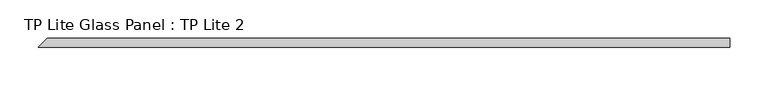
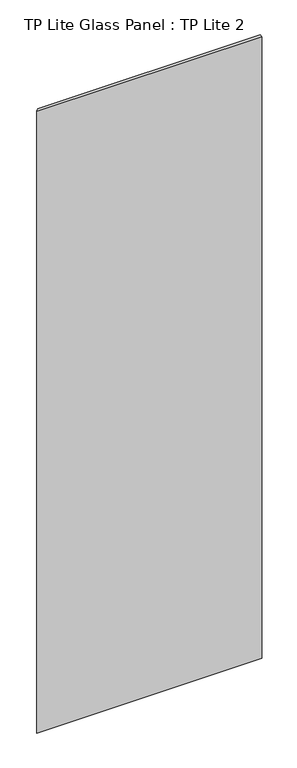
"""IFC4 building model written with IfcOpenShell, lengths in millimetres: plate geometry, TP Lite Glass Panel : TP Lite 2."""

import ifcopenshell
import ifcopenshell.guid

model = None  # the IFC model being written
_history = None  # IfcOwnerHistory: only IFC2X3 demands one
_inside = {}  # id of a spatial element -> (the spatial element, [elements in it])
_under = {}  # id of a project, library or spatial element -> (it, [spatial elements below it])
_declared = {}  # id of a project -> (the project, [libraries it declares])
_typed = {}  # id of a type object -> (the type object, [elements of that type])
_made_of = {}  # id of a material, layer set ... -> (it, [elements and type objects made of it])


def new_model(schema):
    """Start an empty IFC model of exactly this schema.

    Asked for "IFC4X3", IfcOpenShell would pick the latest addendum, in which some entities
    have other attributes; the version numbers below select the first issue.
    IFC2X3 requires an IfcOwnerHistory on every rooted entity: one is made here for all.
    """
    global model, _history
    if schema == "IFC4X3":
        model = ifcopenshell.file(schema_version=(4, 3, 0, 0))
    else:
        model = ifcopenshell.file(schema=schema)
    _inside.clear()
    _under.clear()
    _declared.clear()
    _typed.clear()
    _made_of.clear()
    _history = None
    if model.schema == "IFC2X3":
        org = make("IfcOrganization", Name="unknown")
        user = make(
            "IfcPersonAndOrganization",
            ThePerson=make("IfcPerson", FamilyName="unknown"),
            TheOrganization=org,
        )
        app = make(
            "IfcApplication",
            ApplicationDeveloper=org,
            Version="unknown",
            ApplicationFullName="unknown",
            ApplicationIdentifier="unknown",
        )
        _history = make(
            "IfcOwnerHistory",
            OwningUser=user,
            OwningApplication=app,
            ChangeAction="ADDED",
            CreationDate=0,
        )
    return model


def make(cls, **values):
    """One entity of the class cls with the attributes given. An attribute that is None is left unset."""
    return model.create_entity(
        cls, **{name: value for name, value in values.items() if value is not None}
    )


def rooted(cls, **values):
    """An entity with a GlobalId (a new one), such as an element, a storey or a relation."""
    return make(cls, GlobalId=ifcopenshell.guid.new(), OwnerHistory=_history, **values)


def si_unit(unit_type, name, prefix=None):
    """IfcSIUnit, for example si_unit("LENGTHUNIT", "METRE", prefix="MILLI")."""
    return make("IfcSIUnit", UnitType=unit_type, Prefix=prefix, Name=name)


def assignment(units):
    """IfcUnitAssignment: the units of a project."""
    return None if units is None else make("IfcUnitAssignment", Units=units)


def point(xyz):
    """IfcCartesianPoint."""
    return None if xyz is None else make("IfcCartesianPoint", Coordinates=xyz)


def direction(xyz):
    """IfcDirection."""
    return None if xyz is None else make("IfcDirection", DirectionRatios=xyz)


def frame(location, z_axis=None, x_axis=None):
    """IfcAxis2Placement3D, a coordinate frame: its origin and axes. An axis left out is left unset."""
    return make(
        "IfcAxis2Placement3D",
        Location=point(location),
        Axis=direction(z_axis),
        RefDirection=direction(x_axis),
    )


def origin():
    """The frame at (0, 0, 0) with its axes left unset."""
    return frame((0.0, 0.0, 0.0))


def origin_with_axes():
    """The frame at (0, 0, 0) with the z axis (0, 0, 1) and the x axis (1, 0, 0) written out."""
    return frame((0.0, 0.0, 0.0), z_axis=(0.0, 0.0, 1.0), x_axis=(1.0, 0.0, 0.0))


def place(relative_to, where):
    """IfcLocalPlacement: puts the frame where relative to a parent placement (None: the world)."""
    return make(
        "IfcLocalPlacement", PlacementRelTo=relative_to, RelativePlacement=where
    )


def context(
    kind, dimensions, precision=None, world=None, true_north=None, identifier=None
):
    """IfcGeometricRepresentationContext, for example the 3D "Model" context."""
    return make(
        "IfcGeometricRepresentationContext",
        ContextIdentifier=identifier,
        ContextType=kind,
        CoordinateSpaceDimension=dimensions,
        Precision=precision,
        WorldCoordinateSystem=world,
        TrueNorth=true_north,
    )


def project(units=None, contexts=None):
    """IfcProject with its units and contexts."""
    return rooted(
        "IfcProject",
        Name="project",
        RepresentationContexts=contexts,
        UnitsInContext=assignment(units),
    )


def spatial(cls, under=None, at=None, **own):
    """A site, building, storey or space (cls), placed at a placement, below another one or the project."""
    s = rooted(cls, ObjectPlacement=at, **own)
    if under is not None:
        _under.setdefault(under.id(), (under, []))[1].append(s)
    return s


def polyline(points):
    """IfcPolyline through the points."""
    return make("IfcPolyline", Points=[point(p) for p in points])


def outline(outer, holes=None, kind="AREA"):
    """IfcArbitraryClosedProfileDef: a profile drawn as a closed curve; with holes, ...WithVoids."""
    if holes is None:
        return make("IfcArbitraryClosedProfileDef", ProfileType=kind, OuterCurve=outer)
    return make(
        "IfcArbitraryProfileDefWithVoids",
        ProfileType=kind,
        OuterCurve=outer,
        InnerCurves=holes,
    )


def extrude(swept, where, along, depth):
    """IfcExtrudedAreaSolid: the profile swept, set in the frame where, extruded along a direction by depth."""
    return make(
        "IfcExtrudedAreaSolid",
        SweptArea=swept,
        Position=where,
        ExtrudedDirection=direction(along),
        Depth=depth,
    )


def shape(context_of_items, identifier, shape_type, items):
    """IfcShapeRepresentation: the items that make up one representation, for example the "Body"."""
    return make(
        "IfcShapeRepresentation",
        ContextOfItems=context_of_items,
        RepresentationIdentifier=identifier,
        RepresentationType=shape_type,
        Items=items,
    )


def source(mapping_origin, context_of_items, identifier, shape_type, items):
    """IfcRepresentationMap: a shape defined once, which mapped items show again and again."""
    return make(
        "IfcRepresentationMap",
        MappingOrigin=mapping_origin,
        MappedRepresentation=shape(context_of_items, identifier, shape_type, items),
    )


def transform(
    local_origin,
    x_axis=None,
    y_axis=None,
    z_axis=None,
    scale=None,
    scale2=None,
    scale3=None,
    uniform=True,
):
    """IfcCartesianTransformationOperator3D, or its non-uniform kind. x_axis, y_axis, z_axis: its Axis1, 2, 3."""
    if uniform:
        return make(
            "IfcCartesianTransformationOperator3D",
            Axis1=direction(x_axis),
            Axis2=direction(y_axis),
            LocalOrigin=point(local_origin),
            Scale=scale,
            Axis3=direction(z_axis),
        )
    return make(
        "IfcCartesianTransformationOperator3DnonUniform",
        Axis1=direction(x_axis),
        Axis2=direction(y_axis),
        LocalOrigin=point(local_origin),
        Scale=scale,
        Axis3=direction(z_axis),
        Scale2=scale2,
        Scale3=scale3,
    )


def mapped(mapping_source, mapping_target):
    """IfcMappedItem: shows the shape of a source again, moved by a transform."""
    return make(
        "IfcMappedItem", MappingSource=mapping_source, MappingTarget=mapping_target
    )


def made_of(thing, what):
    """Note that an element or type object is made of a material, layer set ...; save() writes the relation."""
    if what is not None:
        _made_of.setdefault(what.id(), (what, []))[1].append(thing)
    return thing


def element(
    cls,
    number,
    at=None,
    inside=None,
    cuts=None,
    type_object=None,
    material=None,
    context=None,
    identifier="Body",
    shape_type=None,
    held_by="IfcProductDefinitionShape",
    body=None,
    shapes=None,
    **own,
):
    """One element of the class cls, such as IfcWall. Its Tag is "e" and its number.

    at: its placement. inside: the storey or other place that contains it. cuts: it is an
    opening in that element (IfcRelVoidsElement). A single representation is given by context,
    identifier, shape_type and body (its items); several are given by shapes. held_by: the class
    of the entity that holds the representations. save() writes the other relations.
    """
    e = rooted(cls, Tag="e%d" % number, ObjectPlacement=at, **own)
    if body is not None:
        shapes = [shape(context, identifier, shape_type, body)]
    if shapes is not None:
        e.Representation = make(held_by, Representations=shapes)
    if inside is not None:
        _inside.setdefault(inside.id(), (inside, []))[1].append(e)
    if cuts is not None:
        rooted(
            "IfcRelVoidsElement", RelatingBuildingElement=cuts, RelatedOpeningElement=e
        )
    if type_object is not None:
        _typed.setdefault(type_object.id(), (type_object, []))[1].append(e)
    return made_of(e, material)


def aggregate(whole, parts):
    """IfcRelAggregates: a whole, such as a stair, and the parts it consists of."""
    return rooted("IfcRelAggregates", RelatingObject=whole, RelatedObjects=parts)


def save(model, path):
    """Write the relations noted so far, then the file.

    IfcRelAggregates (storeys below a building ...), IfcRelContainedInSpatialStructure (elements
    in a storey), IfcRelDefinesByType, IfcRelAssociatesMaterial and IfcRelDeclares: one each for
    every whole, place, type object, material and project.
    """
    for whole, parts in _under.values():
        aggregate(whole, parts)
    for where, things in _inside.values():
        rooted(
            "IfcRelContainedInSpatialStructure",
            RelatedElements=things,
            RelatingStructure=where,
        )
    for kind, things in _typed.values():
        rooted("IfcRelDefinesByType", RelatedObjects=things, RelatingType=kind)
    for what, things in _made_of.values():
        rooted("IfcRelAssociatesMaterial", RelatedObjects=things, RelatingMaterial=what)
    for by, libraries in _declared.values():
        rooted("IfcRelDeclares", RelatingContext=by, RelatedDefinitions=libraries)
    model.write(path)


def tp_lite_glass_panel_tp_lite_2_ac3bf7e2(model_context):
    return source(origin(), model_context, "Body", "SweptSolid", [
        extrude(outline(polyline([(449.5, -6.0), (-455.5, -6.0), (-443.5, 6.0), (449.5, 6.0), (449.5, -6.0)])), origin_with_axes(), (0.0, 0.0, 1.0), 2640.0000015),
    ])


if __name__ == "__main__":
    model = new_model("IFC4")
    model_context = context("Model", 3, world=origin())
    ifc_project = project(units=[si_unit("LENGTHUNIT", "METRE", prefix="MILLI")], contexts=[model_context])
    site = spatial("IfcSite", under=ifc_project)
    building = spatial("IfcBuilding", under=site)
    placement = place(None, origin())
    tp_lite_glass_panel_tp_lite_2_shape = tp_lite_glass_panel_tp_lite_2_ac3bf7e2(model_context)
    element("IfcPlate", 1, ObjectType="TP Lite Glass Panel : TP Lite 2", at=placement, inside=building, context=model_context, shape_type="MappedRepresentation", body=[
        mapped(tp_lite_glass_panel_tp_lite_2_shape, transform((0.0, 0.0, 0.0), x_axis=(1.0, 0.0, 0.0), y_axis=(0.0, 1.0, 0.0), z_axis=(0.0, 0.0, 1.0))),
    ])
    save(model, "model.ifc")
